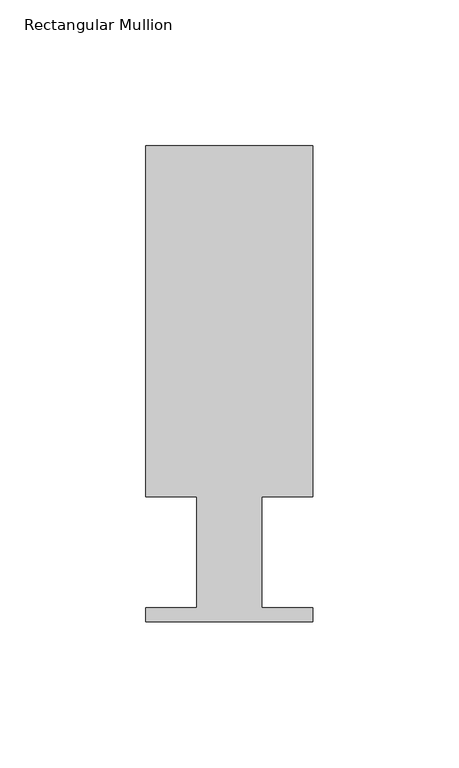
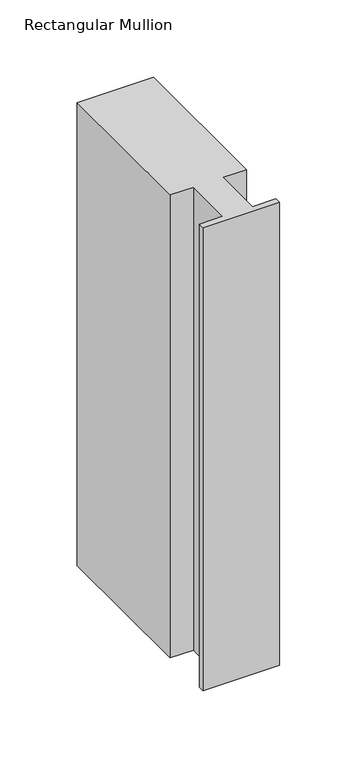
"""IFC4 building model written with IfcOpenShell, lengths in millimetres: member geometry, Rectangular Mullion."""

from ifc_helpers import new_model, si_unit, frame, origin, place, context, project, spatial, polyline, outline, extrude, source, transform, mapped, element, save


def rectangular_mullion_64f1a914(model_context):
    return source(origin(), model_context, "Body", "SweptSolid", [
        extrude(outline(polyline([(0.0, 151.892), (0.0, 31.75), (-17.4752, 31.75), (-17.4752, -6.35), (0.0, -6.35), (0.0, -11.176), (-57.15, -11.176), (-57.15, -6.35), (-39.6875, -6.35), (-39.6875, 31.75), (-57.15, 31.75), (-57.15, 151.892), (0.0, 151.892)])), frame((0.0, 0.0, -365.612984), z_axis=(0.0, 0.0, 1.0), x_axis=(1.0, 0.0, 0.0)), (0.0, 0.0, 1.0), 365.612984),
    ])


if __name__ == "__main__":
    model = new_model("IFC4")
    model_context = context("Model", 3, world=origin())
    ifc_project = project(units=[si_unit("LENGTHUNIT", "METRE", prefix="MILLI")], contexts=[model_context])
    site = spatial("IfcSite", under=ifc_project)
    building = spatial("IfcBuilding", under=site)
    placement = place(None, origin())
    rectangular_mullion_shape = rectangular_mullion_64f1a914(model_context)
    element("IfcMember", 1, ObjectType="Rectangular Mullion", at=placement, inside=building, context=model_context, shape_type="MappedRepresentation", body=[
        mapped(rectangular_mullion_shape, transform((0.0, 0.0, 0.0), x_axis=(1.0, 0.0, 0.0), y_axis=(0.0, 1.0, 0.0), z_axis=(0.0, 0.0, 1.0))),
    ])
    save(model, "model.ifc")
